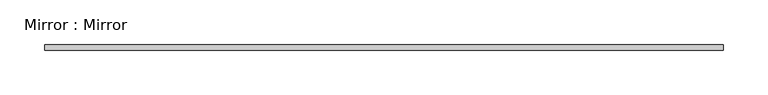
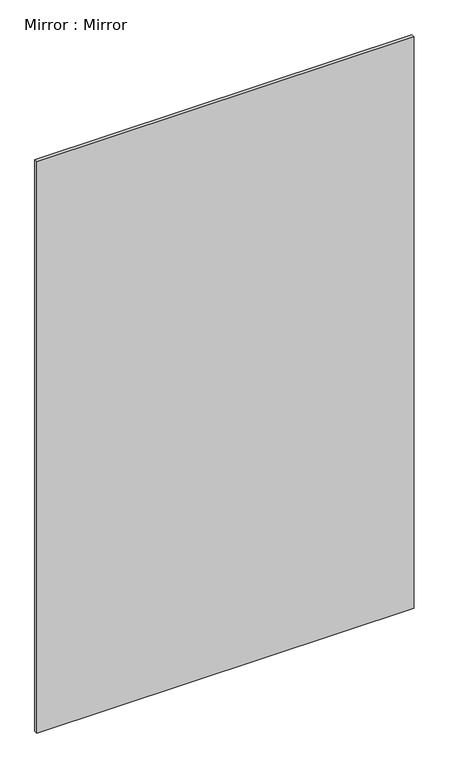
"""IFC4 building model written with IfcOpenShell, lengths in millimetres: proxy geometry, Mirror : Mirror."""

from ifc_helpers import new_model, si_unit, frame, origin, place, context, project, spatial, polyline, outline, extrude, source, transform, mapped, element, save


def mirror_mirror_4c7e0085(model_context):
    return source(origin(), model_context, "Body", "SweptSolid", [
        extrude(outline(polyline([(-381.0, -60.325), (-381.0, -53.975), (381.0, -53.975), (381.0, -60.325), (-381.0, -60.325)])), frame((0.0, 0.0, 1066.8), z_axis=(0.0, 0.0, 1.0), x_axis=(1.0, 0.0, 0.0)), (0.0, 0.0, 1.0), 1219.2),
    ])


if __name__ == "__main__":
    model = new_model("IFC4")
    model_context = context("Model", 3, world=origin())
    ifc_project = project(units=[si_unit("LENGTHUNIT", "METRE", prefix="MILLI")], contexts=[model_context])
    site = spatial("IfcSite", under=ifc_project)
    building = spatial("IfcBuilding", under=site)
    placement = place(None, origin())
    mirror_mirror_shape = mirror_mirror_4c7e0085(model_context)
    element("IfcBuildingElementProxy", 1, Name="Mirror : Mirror", ObjectType="Mirror : Mirror", at=placement, inside=building, context=model_context, shape_type="MappedRepresentation", body=[
        mapped(mirror_mirror_shape, transform((0.0, 0.0, 0.0), x_axis=(1.0, 0.0, 0.0), y_axis=(0.0, 1.0, 0.0), z_axis=(0.0, 0.0, 1.0))),
    ])
    save(model, "model.ifc")
